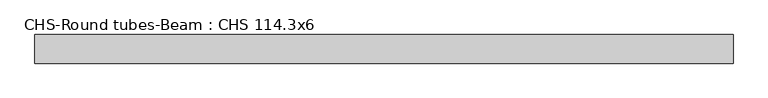
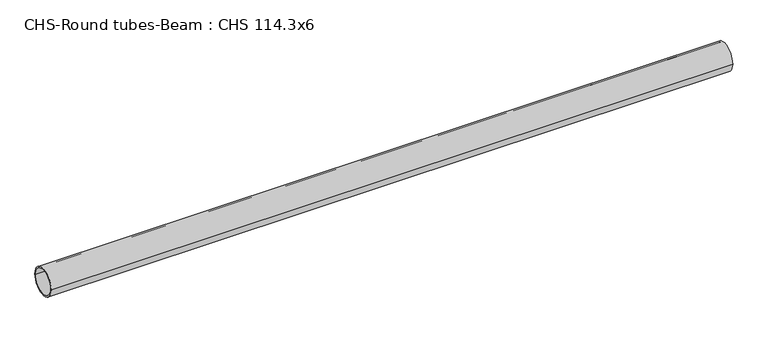
"""IFC4 building model written with IfcOpenShell, lengths in millimetres: beam geometry, CHS-Round tubes-Beam : CHS 114.3x6."""

from ifc_helpers import new_model, si_unit, point, frame, origin, origin_2d, place, context, project, spatial, circle_curve, trimmed, segment, composite_curve, outline, extrude, source, transform, mapped, element, save


def chs_round_tubes_beam_chs_114_3x6_b52ec1f3(model_context):
    return source(origin(), model_context, "Body", "SweptSolid", [
        extrude(outline(composite_curve([segment(trimmed(circle_curve(origin_2d(), 57.15), [point((57.15, 0.0))], [point((-57.15, 0.0))], False, "CARTESIAN"), True, "CONTINUOUS"), segment(trimmed(circle_curve(origin_2d(), 57.15), [point((-57.15, 0.0))], [point((57.15, 0.0))], False, "CARTESIAN"), True, "CONTINUOUS")], self_intersect=False), holes=[composite_curve([segment(trimmed(circle_curve(origin_2d(), 51.15), [point((51.15, 0.0))], [point((-51.15, 0.0))], True, "CARTESIAN"), True, "CONTINUOUS"), segment(trimmed(circle_curve(origin_2d(), 51.15), [point((-51.15, 0.0))], [point((51.15, 0.0))], True, "CARTESIAN"), True, "CONTINUOUS")], self_intersect=False)]), frame((-1389.1051598, 0.0, 0.0), z_axis=(1.0, 0.0, 0.0), x_axis=(0.0, 1.0, 0.0)), (0.0, 0.0, 1.0), 2783.8694733),
    ])


if __name__ == "__main__":
    model = new_model("IFC4")
    model_context = context("Model", 3, world=origin())
    ifc_project = project(units=[si_unit("LENGTHUNIT", "METRE", prefix="MILLI")], contexts=[model_context])
    site = spatial("IfcSite", under=ifc_project)
    building = spatial("IfcBuilding", under=site)
    placement = place(None, origin())
    chs_round_tubes_beam_chs_114_3x6_shape = chs_round_tubes_beam_chs_114_3x6_b52ec1f3(model_context)
    element("IfcBeam", 1, ObjectType="CHS-Round tubes-Beam : CHS 114.3x6", at=placement, inside=building, context=model_context, shape_type="MappedRepresentation", body=[
        mapped(chs_round_tubes_beam_chs_114_3x6_shape, transform((0.0, 0.0, 0.0), x_axis=(1.0, 0.0, 0.0), y_axis=(0.0, 1.0, 0.0), z_axis=(0.0, 0.0, 1.0))),
    ])
    save(model, "model.ifc")
